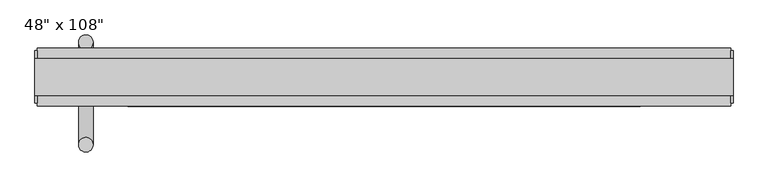
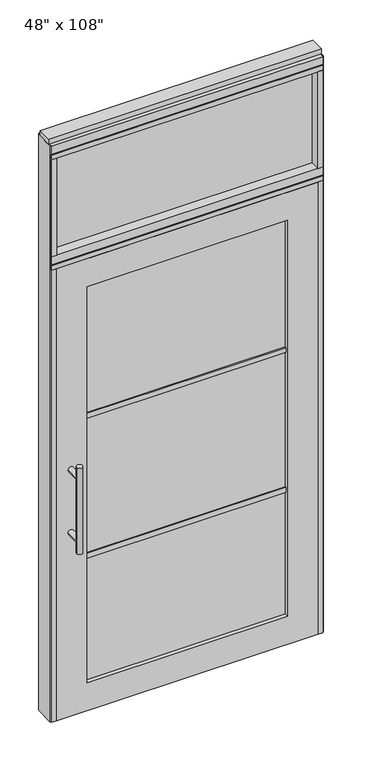
"""IFC4 building model written with IfcOpenShell, lengths in millimetres: furniture geometry."""

from ifc_helpers import new_model, si_unit, frame, origin, origin_with_axes, place, context, project, spatial, polyline, circle_curve, ellipse_curve, outline, extrude, source, transform, mapped, element, save
from ifc_brep_helpers import plane_surface, cylinder_surface, advanced_brep


def furniture_a1123505(model_context):
    return source(origin(), model_context, "Body", "SolidModel", [
        extrude(outline(polyline([(523.4014771, -9.5977216), (-643.4745229, -9.5977216), (-643.4745229, 0.5622784), (523.4014771, 0.5622784), (523.4014771, -9.5977216)])), frame((0.0, 0.0, 2197.1), z_axis=(0.0, 0.0, 1.0), x_axis=(1.0, 0.0, 0.0)), (0.0, 0.0, 1.0), 457.2),
        advanced_brep(
        [(-593.4365229, 56.6962784, 1219.2), (-568.0365229, 56.6962784, 1219.2), (-593.4365229, 56.6962784, 812.8), (-568.0365229, 56.6962784, 812.8), (-568.0365229, 56.6962784, 1164.336), (-568.0365229, 56.6962784, 867.664), (-593.4365229, 56.6962784, 867.664), (-593.4365229, 56.6962784, 1164.336), (-593.4365229, -10.8677216, 1164.336), (-568.0365229, -10.8677216, 1164.336), (-593.4365229, -10.8677216, 867.664), (-568.0365229, -10.8677216, 867.664)],
        [
            (0, 1, circle_curve(frame((-580.7365229, 56.6962784, 1219.2), z_axis=(0.0, 0.0, 1.0), x_axis=(1.0, 0.0, 0.0)), 12.7)),
            (1, 0, circle_curve(frame((-580.7365229, 56.6962784, 1219.2), z_axis=(0.0, 0.0, 1.0), x_axis=(1.0, 0.0, 0.0)), 12.7)),
            (2, 3, circle_curve(frame((-580.7365229, 56.6962784, 812.8), z_axis=(0.0, 0.0, -1.0), x_axis=(1.0, 0.0, 0.0)), 12.7)),
            (3, 2, circle_curve(frame((-580.7365229, 56.6962784, 812.8), z_axis=(0.0, 0.0, -1.0), x_axis=(1.0, 0.0, 0.0)), 12.7)),
            (1, 4),
            (4, 5),
            (5, 3),
            (2, 6),
            (6, 7),
            (7, 0),
            (6, 5, ellipse_curve(frame((-580.7365229, 56.6962784, 867.664), z_axis=(0.0, 0.707106781186565, 0.70710678118653), x_axis=(0.0, -0.70710678118653, 0.707106781186565)), 17.9605122, 12.7)),
            (4, 7, ellipse_curve(frame((-580.7365229, 56.6962784, 1164.336), z_axis=(0.0, 0.70710678118653, -0.7071067811865649), x_axis=(0.0, 0.7071067811865648, 0.7071067811865301)), 17.9605122, 12.7)),
            (7, 4, ellipse_curve(frame((-580.7365229, 56.6962784, 1164.336), z_axis=(0.0, 0.707106781186565, 0.70710678118653), x_axis=(0.0, -0.70710678118653, 0.707106781186565)), 17.9605122, 12.7)),
            (5, 6, ellipse_curve(frame((-580.7365229, 56.6962784, 867.664), z_axis=(0.0, 0.70710678118653, -0.7071067811865649), x_axis=(0.0, 0.7071067811865648, 0.7071067811865301)), 17.9605122, 12.7)),
            (8, 9, circle_curve(frame((-580.7365229, -10.8677216, 1164.336), z_axis=(0.0, -1.0, 0.0), x_axis=(1.0, 0.0, 0.0)), 12.7)),
            (9, 8, circle_curve(frame((-580.7365229, -10.8677216, 1164.336), z_axis=(0.0, -1.0, 0.0), x_axis=(1.0, 0.0, 0.0)), 12.7)),
            (8, 7),
            (4, 9),
            (10, 11, circle_curve(frame((-580.7365229, -10.8677216, 867.664), z_axis=(0.0, -1.0, 0.0), x_axis=(1.0, 0.0, 0.0)), 12.7)),
            (11, 10, circle_curve(frame((-580.7365229, -10.8677216, 867.664), z_axis=(0.0, -1.0, 0.0), x_axis=(1.0, 0.0, 0.0)), 12.7)),
            (10, 6),
            (5, 11),
        ],
        [
            plane_surface(frame((-568.0365229, 56.6962784, 1219.2), z_axis=(0.0, 0.0, 1.0), x_axis=(0.0, -1.0, 0.0))),
            plane_surface(frame((-568.0365229, 56.6962784, 812.8), z_axis=(0.0, 0.0, -1.0), x_axis=(0.0, 1.0, 0.0))),
            cylinder_surface(frame((-580.7365229, 56.6962784, 812.8), z_axis=(0.0, 0.0, 1.0), x_axis=(1.0, 0.0, 0.0)), 12.7),
            plane_surface(frame((-568.0365229, -10.8677216, 1164.336), z_axis=(0.0, -1.0, 0.0), x_axis=(0.0, 0.0, -1.0))),
            cylinder_surface(frame((-580.7365229, -10.8677216, 1164.336), z_axis=(0.0, 1.0, 0.0), x_axis=(1.0, 0.0, 0.0)), 12.7),
            plane_surface(frame((-568.0365229, -10.8677216, 867.664), z_axis=(0.0, -1.0, 0.0), x_axis=(0.0, 0.0, -1.0))),
            cylinder_surface(frame((-580.7365229, -10.8677216, 867.664), z_axis=(0.0, 1.0, 0.0), x_axis=(1.0, 0.0, 0.0)), 12.7),
        ],
        [
            (0, [[1, 2]]),
            (1, [[3, 4]]),
            (2, [[5, 6, 7, -3, 8, 9, 10, -2]]),
            (2, [[-9, 11, -6, 12]]),
            (2, [[-10, 13, -5, -1]]),
            (2, [[-7, 14, -8, -4]]),
            (3, [[15, 16]]),
            (4, [[17, -12, 18, -15]]),
            (4, [[-18, -13, -17, -16]]),
            (5, [[19, 20]]),
            (6, [[21, -14, 22, -19]]),
            (6, [[-22, -11, -21, -20]]),
        ],
    ),
        advanced_brep(
        [(-593.4365229, -122.8817216, 1219.2), (-568.0365229, -122.8817216, 1219.2), (-593.4365229, -122.8817216, 812.8), (-568.0365229, -122.8817216, 812.8), (-593.4365229, -122.8817216, 1164.336), (-593.4365229, -122.8817216, 867.664), (-568.0365229, -122.8817216, 867.664), (-568.0365229, -122.8817216, 1164.336), (-593.4365229, -55.3177216, 1164.336), (-568.0365229, -55.3177216, 1164.336), (-593.4365229, -55.3177216, 867.664), (-568.0365229, -55.3177216, 867.664)],
        [
            (0, 1, circle_curve(frame((-580.7365229, -122.8817216, 1219.2), z_axis=(0.0, 0.0, 1.0), x_axis=(1.0, 0.0, 0.0)), 12.7)),
            (1, 0, circle_curve(frame((-580.7365229, -122.8817216, 1219.2), z_axis=(0.0, 0.0, 1.0), x_axis=(1.0, 0.0, 0.0)), 12.7)),
            (2, 3, circle_curve(frame((-580.7365229, -122.8817216, 812.8), z_axis=(0.0, 0.0, -1.0), x_axis=(1.0, 0.0, 0.0)), 12.7)),
            (3, 2, circle_curve(frame((-580.7365229, -122.8817216, 812.8), z_axis=(0.0, 0.0, -1.0), x_axis=(1.0, 0.0, 0.0)), 12.7)),
            (0, 4),
            (4, 5),
            (5, 2),
            (3, 6),
            (6, 7),
            (7, 1),
            (7, 4, ellipse_curve(frame((-580.7365229, -122.8817216, 1164.336), z_axis=(0.0, -0.707106781186565, 0.70710678118653), x_axis=(0.0, 0.70710678118653, 0.707106781186565)), 17.9605122, 12.7)),
            (5, 6, ellipse_curve(frame((-580.7365229, -122.8817216, 867.664), z_axis=(0.0, -0.70710678118653, -0.7071067811865649), x_axis=(0.0, -0.7071067811865648, 0.7071067811865301)), 17.9605122, 12.7)),
            (4, 7, ellipse_curve(frame((-580.7365229, -122.8817216, 1164.336), z_axis=(0.0, -0.70710678118653, -0.7071067811865649), x_axis=(0.0, -0.7071067811865648, 0.7071067811865301)), 17.9605122, 12.7)),
            (6, 5, ellipse_curve(frame((-580.7365229, -122.8817216, 867.664), z_axis=(0.0, -0.707106781186565, 0.70710678118653), x_axis=(0.0, 0.70710678118653, 0.707106781186565)), 17.9605122, 12.7)),
            (8, 9, circle_curve(frame((-580.7365229, -55.3177216, 1164.336), z_axis=(0.0, 1.0, 0.0), x_axis=(1.0, 0.0, 0.0)), 12.7)),
            (9, 8, circle_curve(frame((-580.7365229, -55.3177216, 1164.336), z_axis=(0.0, 1.0, 0.0), x_axis=(1.0, 0.0, 0.0)), 12.7)),
            (9, 7),
            (4, 8),
            (10, 11, circle_curve(frame((-580.7365229, -55.3177216, 867.664), z_axis=(0.0, 1.0, 0.0), x_axis=(1.0, 0.0, 0.0)), 12.7)),
            (11, 10, circle_curve(frame((-580.7365229, -55.3177216, 867.664), z_axis=(0.0, 1.0, 0.0), x_axis=(1.0, 0.0, 0.0)), 12.7)),
            (11, 6),
            (5, 10),
        ],
        [
            plane_surface(frame((-568.0365229, -122.8817216, 1219.2), z_axis=(0.0, 0.0, 1.0), x_axis=(0.0, 1.0, 0.0))),
            plane_surface(frame((-568.0365229, -122.8817216, 812.8), z_axis=(0.0, 0.0, -1.0), x_axis=(0.0, -1.0, 0.0))),
            cylinder_surface(frame((-580.7365229, -122.8817216, 812.8), z_axis=(0.0, 0.0, 1.0), x_axis=(1.0, 0.0, 0.0)), 12.7),
            plane_surface(frame((-568.0365229, -55.3177216, 1164.336), z_axis=(0.0, 1.0, 0.0), x_axis=(0.0, 0.0, -1.0))),
            cylinder_surface(frame((-580.7365229, -55.3177216, 1164.336), z_axis=(0.0, -1.0, 0.0), x_axis=(1.0, 0.0, 0.0)), 12.7),
            plane_surface(frame((-568.0365229, -55.3177216, 867.664), z_axis=(0.0, 1.0, 0.0), x_axis=(0.0, 0.0, -1.0))),
            cylinder_surface(frame((-580.7365229, -55.3177216, 867.664), z_axis=(0.0, -1.0, 0.0), x_axis=(1.0, 0.0, 0.0)), 12.7),
        ],
        [
            (0, [[1, 2]]),
            (1, [[3, 4]]),
            (2, [[-1, 5, 6, 7, -4, 8, 9, 10]]),
            (2, [[-2, -10, 11, -5]]),
            (2, [[-3, -7, 12, -8]]),
            (2, [[13, -9, 14, -6]]),
            (3, [[15, 16]]),
            (4, [[-16, 17, -13, 18]]),
            (4, [[-15, -18, -11, -17]]),
            (5, [[19, 20]]),
            (6, [[-20, 21, -12, 22]]),
            (6, [[-19, -22, -14, -21]]),
        ],
    ),
        extrude(outline(polyline([(-507.4575229, -44.2052216), (-507.4575229, -21.9802216), (387.3844771, -21.9802216), (387.3844771, -44.2052216), (-507.4575229, -44.2052216)])), frame((0.0, 0.0, 1371.6), z_axis=(0.0, 0.0, 1.0), x_axis=(1.0, 0.0, 0.0)), (0.0, 0.0, 1.0), 22.225),
        extrude(outline(polyline([(-507.4575229, -44.2052216), (-507.4575229, -21.9802216), (387.3844771, -21.9802216), (387.3844771, -44.2052216), (-507.4575229, -44.2052216)])), frame((0.0, 0.0, 711.2), z_axis=(0.0, 0.0, 1.0), x_axis=(1.0, 0.0, 0.0)), (0.0, 0.0, 1.0), 22.225),
        extrude(outline(polyline([(387.3844771, -38.1727216), (-507.4575229, -38.1727216), (-507.4575229, -28.0127216), (387.3844771, -28.0127216), (387.3844771, -38.1727216)])), frame((0.0, 0.0, 132.969), z_axis=(0.0, 0.0, 1.0), x_axis=(1.0, 0.0, 0.0)), (0.0, 0.0, 1.0), 1867.662),
        extrude(outline(polyline([(2133.6, 523.4014771), (2133.6, -643.4745229), (0.0, -643.4745229), (0.0, 523.4014771), (2133.6, 523.4014771)]), holes=[polyline([(2000.631, 387.3844771), (132.969, 387.3844771), (132.969, -507.4575229), (2000.631, -507.4575229), (2000.631, 387.3844771)])]), frame((0.0, -55.3177216, 0.0), z_axis=(0.0, 1.0, 0.0), x_axis=(0.0, 0.0, 1.0)), (0.0, 0.0, 1.0), 44.45),
        extrude(outline(polyline([(-643.4745229, -55.3177216), (-665.6995229, -55.3177216), (-665.6995229, 46.2822784), (-643.4745229, 46.2822784), (-643.4745229, -55.3177216)])), frame((0.0, 0.0, 2197.1), z_axis=(0.0, 0.0, 1.0), x_axis=(1.0, 0.0, 0.0)), (0.0, 0.0, 1.0), 457.2),
        extrude(outline(polyline([(523.4014771, -55.3177216), (523.4014771, 46.2822784), (545.6264771, 46.2822784), (545.6264771, -55.3177216), (523.4014771, -55.3177216)])), frame((0.0, 0.0, 2197.1), z_axis=(0.0, 0.0, 1.0), x_axis=(1.0, 0.0, 0.0)), (0.0, 0.0, 1.0), 457.2),
        extrude(outline(polyline([(-665.6995229, -55.3177216), (-665.6995229, 46.2822784), (545.6264771, 46.2822784), (545.6264771, -55.3177216), (-665.6995229, -55.3177216)])), frame((0.0, 0.0, 2133.6), z_axis=(0.0, 0.0, 1.0), x_axis=(1.0, 0.0, 0.0)), (0.0, 0.0, 1.0), 22.225),
        extrude(outline(polyline([(-55.3177216, 2160.778), (-55.3177216, 2197.1), (46.2822784, 2197.1), (46.2822784, 2160.778), (41.3292784, 2160.778), (41.3292784, 2155.825), (-50.3647216, 2155.825), (-50.3647216, 2160.778), (-55.3177216, 2160.778)])), frame((-665.6995229, 0.0, 0.0), z_axis=(1.0, 0.0, 0.0), x_axis=(0.0, 1.0, 0.0)), (0.0, 0.0, 1.0), 1211.326),
        extrude(outline(polyline([(-665.6995229, -55.3177216), (-665.6995229, 46.2822784), (545.6264771, 46.2822784), (545.6264771, -55.3177216), (-665.6995229, -55.3177216)])), frame((0.0, 0.0, 2654.3), z_axis=(0.0, 0.0, 1.0), x_axis=(1.0, 0.0, 0.0)), (0.0, 0.0, 1.0), 22.225),
        extrude(outline(polyline([(549.5634771, -50.3647216), (545.6264771, -50.3647216), (545.6264771, 41.3292784), (549.5634771, 41.3292784), (549.5634771, -50.3647216)])), origin_with_axes(), (0.0, 0.0, 1.0), 2717.8),
        extrude(outline(polyline([(-669.6365229, -50.3647216), (-669.6365229, 41.3292784), (-665.6995229, 41.3292784), (-665.6995229, -50.3647216), (-669.6365229, -50.3647216)])), origin_with_axes(), (0.0, 0.0, 1.0), 2717.8),
        extrude(outline(polyline([(523.4014771, -55.3177216), (523.4014771, 46.2822784), (545.6264771, 46.2822784), (545.6264771, -55.3177216), (523.4014771, -55.3177216)])), origin_with_axes(), (0.0, 0.0, 1.0), 2133.6),
        extrude(outline(polyline([(-643.4745229, -55.3177216), (-665.6995229, -55.3177216), (-665.6995229, 46.2822784), (-643.4745229, 46.2822784), (-643.4745229, -55.3177216)])), origin_with_axes(), (0.0, 0.0, 1.0), 2133.6),
        extrude(outline(polyline([(-55.3177216, 2681.478), (-55.3177216, 2717.8), (46.2822784, 2717.8), (46.2822784, 2681.478), (41.3292784, 2681.478), (41.3292784, 2676.525), (-50.3647216, 2676.525), (-50.3647216, 2681.478), (-55.3177216, 2681.478)])), frame((-665.6995229, 0.0, 0.0), z_axis=(1.0, 0.0, 0.0), x_axis=(0.0, 1.0, 0.0)), (0.0, 0.0, 1.0), 1211.326),
        extrude(outline(polyline([(-669.6365229, -37.0297216), (-669.6365229, 27.9942784), (549.5634771, 27.9942784), (549.5634771, -37.0297216), (-669.6365229, -37.0297216)])), frame((0.0, 0.0, 2717.8), z_axis=(0.0, 0.0, 1.0), x_axis=(1.0, 0.0, 0.0)), (0.0, 0.0, 1.0), 25.4),
    ])


if __name__ == "__main__":
    model = new_model("IFC4")
    model_context = context("Model", 3, world=origin())
    ifc_project = project(units=[si_unit("LENGTHUNIT", "METRE", prefix="MILLI")], contexts=[model_context])
    site = spatial("IfcSite", under=ifc_project)
    building = spatial("IfcBuilding", under=site)
    placement = place(None, origin())
    furniture_shape = furniture_a1123505(model_context)
    element("IfcFurniture", 1, ObjectType="48\" x 108\"", at=placement, inside=building, context=model_context, shape_type="MappedRepresentation", body=[
        mapped(furniture_shape, transform((0.0, 0.0, 0.0), x_axis=(1.0, 0.0, 0.0), y_axis=(0.0, 1.0, 0.0), z_axis=(0.0, 0.0, 1.0))),
    ])
    save(model, "model.ifc")
